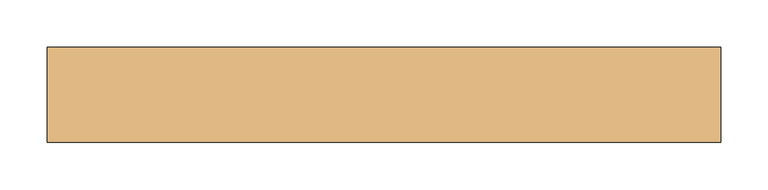
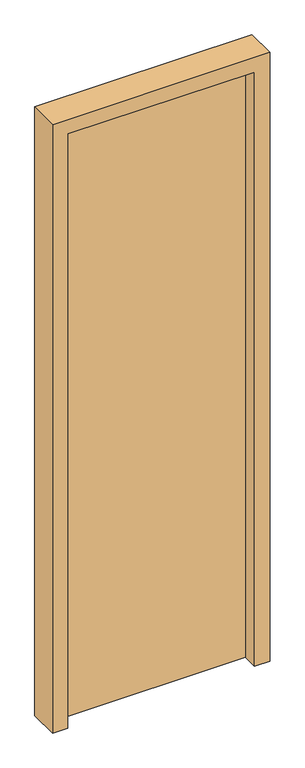
"""IFC4 building model written with IfcOpenShell, lengths in millimetres: door geometry."""

from ifc_helpers import new_model, si_unit, frame, origin, origin_with_axes, place, context, project, spatial, polyline, outline, extrude, source, transform, mapped, element, save


def door_8baa2d43(model_context):
    return source(origin(), model_context, "Body", "SweptSolid", [
        extrude(outline(polyline([(305.0, 50.0), (305.0, 0.0), (-305.0, 0.0), (-305.0, 50.0), (305.0, 50.0)])), origin_with_axes(), (0.0, 0.0, 1.0), 2050.0),
        extrude(outline(polyline([(0.0, -355.0), (0.0, -305.0), (2050.0, -305.0), (2050.0, 305.0), (0.0, 305.0), (0.0, 355.0), (2100.0, 355.0), (2100.0, -355.0), (0.0, -355.0)])), frame((0.0, -50.0, 0.0), z_axis=(0.0, 1.0, 0.0), x_axis=(0.0, 0.0, 1.0)), (0.0, 0.0, 1.0), 100.0),
    ])


if __name__ == "__main__":
    model = new_model("IFC4")
    model_context = context("Model", 3, world=origin())
    ifc_project = project(units=[si_unit("LENGTHUNIT", "METRE", prefix="MILLI")], contexts=[model_context])
    site = spatial("IfcSite", under=ifc_project)
    building = spatial("IfcBuilding", under=site)
    placement = place(None, origin())
    door_shape = door_8baa2d43(model_context)
    element("IfcDoor", 1, at=placement, inside=building, context=model_context, shape_type="MappedRepresentation", body=[
        mapped(door_shape, transform((0.0, 0.0, 0.0), x_axis=(1.0, 0.0, 0.0), y_axis=(0.0, 1.0, 0.0), z_axis=(0.0, 0.0, 1.0))),
    ])
    save(model, "model.ifc")
